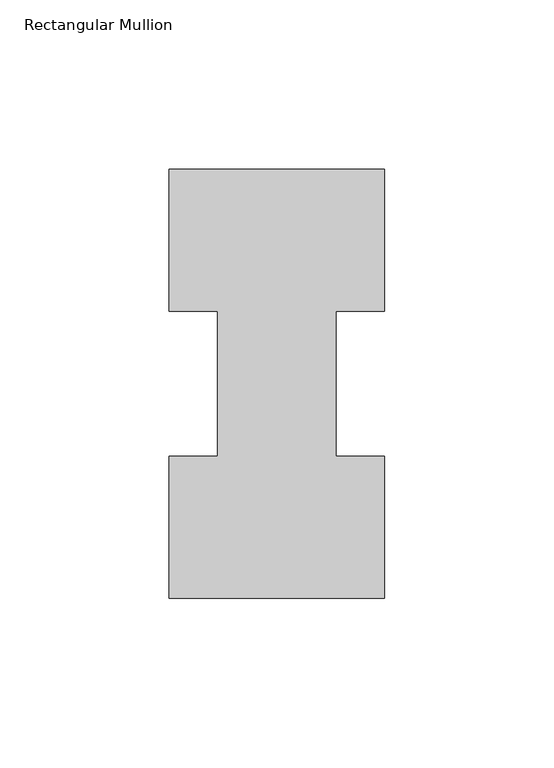
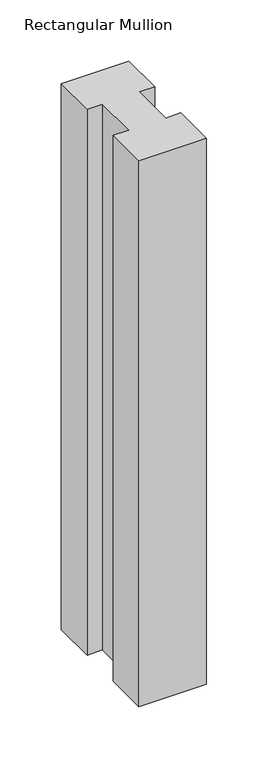
"""IFC4 building model written with IfcOpenShell, lengths in millimetres: member geometry, Rectangular Mullion."""

from ifc_helpers import new_model, si_unit, frame, origin, place, context, project, spatial, polyline, outline, extrude, source, transform, mapped, element, save


def rectangular_mullion_95bae179(model_context):
    return source(origin(), model_context, "Body", "SweptSolid", [
        extrude(outline(polyline([(-63.5, 0.26035), (-63.5, 42.08145), (-49.2125, 42.08145), (-49.2125, 84.93125), (-63.5, 84.93125), (-63.5, 126.75235), (0.0, 126.75235), (0.0, 84.93125), (-14.2748, 84.93125), (-14.2748, 42.08145), (0.0, 42.08145), (0.0, 0.26035), (-63.5, 0.26035)])), frame((0.0, 0.0, -542.925), z_axis=(0.0, 0.0, 1.0), x_axis=(1.0, 0.0, 0.0)), (0.0, 0.0, 1.0), 542.925),
    ])


if __name__ == "__main__":
    model = new_model("IFC4")
    model_context = context("Model", 3, world=origin())
    ifc_project = project(units=[si_unit("LENGTHUNIT", "METRE", prefix="MILLI")], contexts=[model_context])
    site = spatial("IfcSite", under=ifc_project)
    building = spatial("IfcBuilding", under=site)
    placement = place(None, origin())
    rectangular_mullion_shape = rectangular_mullion_95bae179(model_context)
    element("IfcMember", 1, ObjectType="Rectangular Mullion", at=placement, inside=building, context=model_context, shape_type="MappedRepresentation", body=[
        mapped(rectangular_mullion_shape, transform((0.0, 0.0, 0.0), x_axis=(1.0, 0.0, 0.0), y_axis=(0.0, 1.0, 0.0), z_axis=(0.0, 0.0, 1.0))),
    ])
    save(model, "model.ifc")
